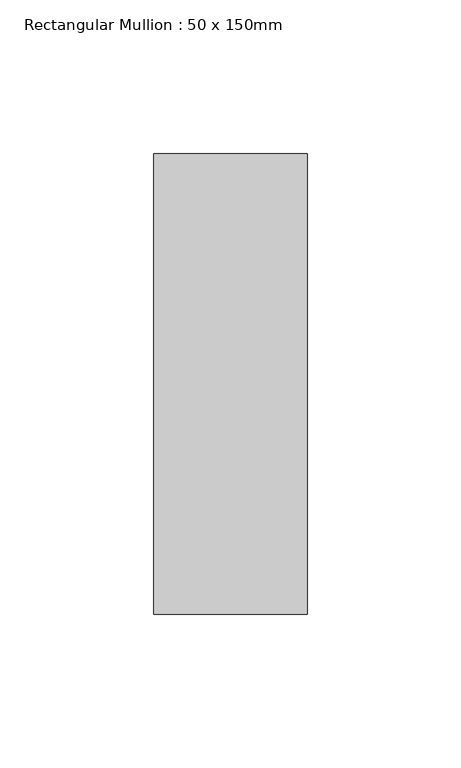
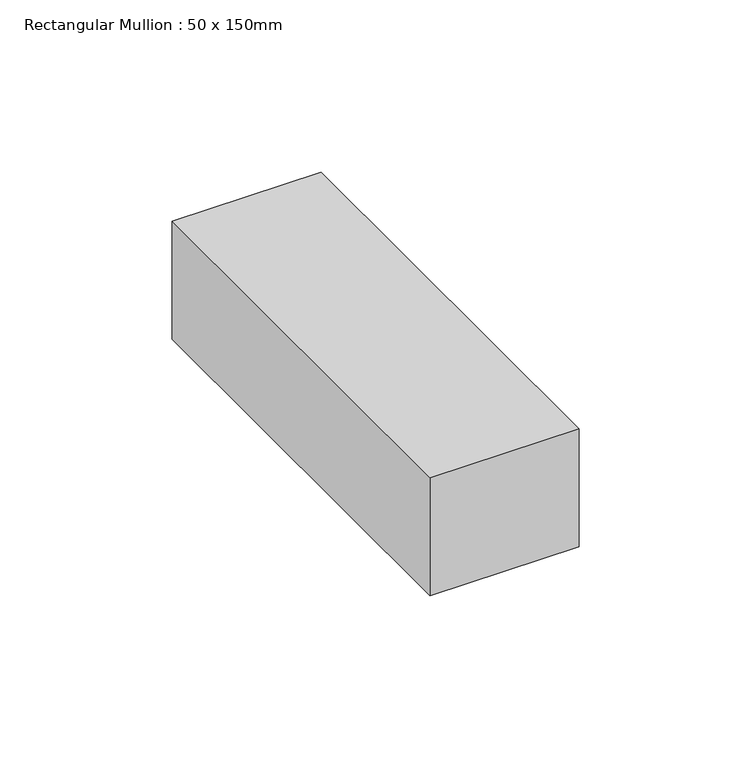
"""IFC4 building model written with IfcOpenShell, lengths in millimetres: member geometry, Rectangular Mullion : 50 x 150mm."""

from ifc_helpers import new_model, si_unit, frame, origin, place, context, project, spatial, polyline, outline, extrude, source, transform, mapped, element, save


def rectangular_mullion_50_x_150mm_5e509d49(model_context):
    return source(origin(), model_context, "Body", "SweptSolid", [
        extrude(outline(polyline([(0.0, 75.0), (0.0, -75.0), (-50.0, -75.0), (-50.0, 75.0), (0.0, 75.0)])), frame((0.0, 0.0, -41.8621862), z_axis=(0.0, 0.0, 1.0), x_axis=(1.0, 0.0, 0.0)), (0.0, 0.0, 1.0), 41.8621862),
    ])


if __name__ == "__main__":
    model = new_model("IFC4")
    model_context = context("Model", 3, world=origin())
    ifc_project = project(units=[si_unit("LENGTHUNIT", "METRE", prefix="MILLI")], contexts=[model_context])
    site = spatial("IfcSite", under=ifc_project)
    building = spatial("IfcBuilding", under=site)
    placement = place(None, origin())
    rectangular_mullion_50_x_150mm_shape = rectangular_mullion_50_x_150mm_5e509d49(model_context)
    element("IfcMember", 1, ObjectType="Rectangular Mullion : 50 x 150mm", at=placement, inside=building, context=model_context, shape_type="MappedRepresentation", body=[
        mapped(rectangular_mullion_50_x_150mm_shape, transform((0.0, 0.0, 0.0), x_axis=(1.0, 0.0, 0.0), y_axis=(0.0, 1.0, 0.0), z_axis=(0.0, 0.0, 1.0))),
    ])
    save(model, "model.ifc")
